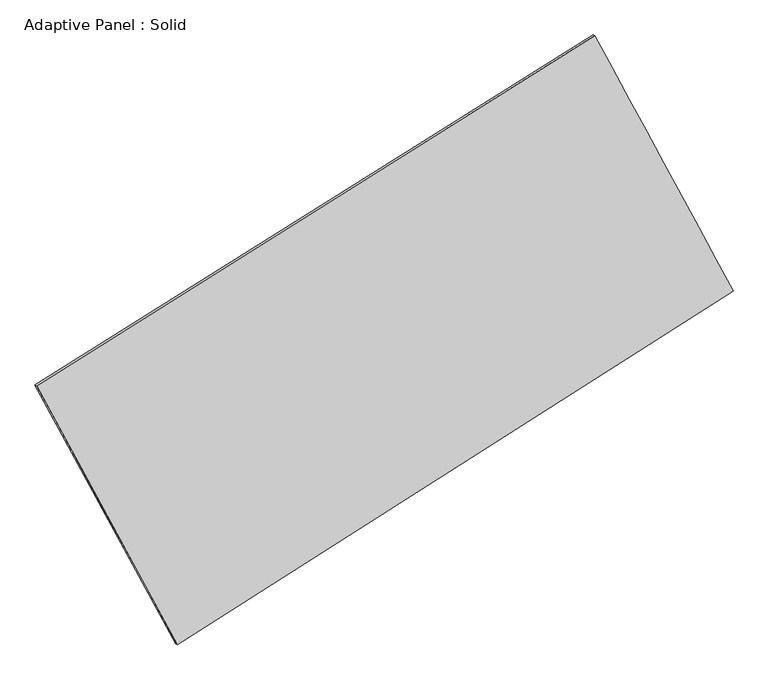
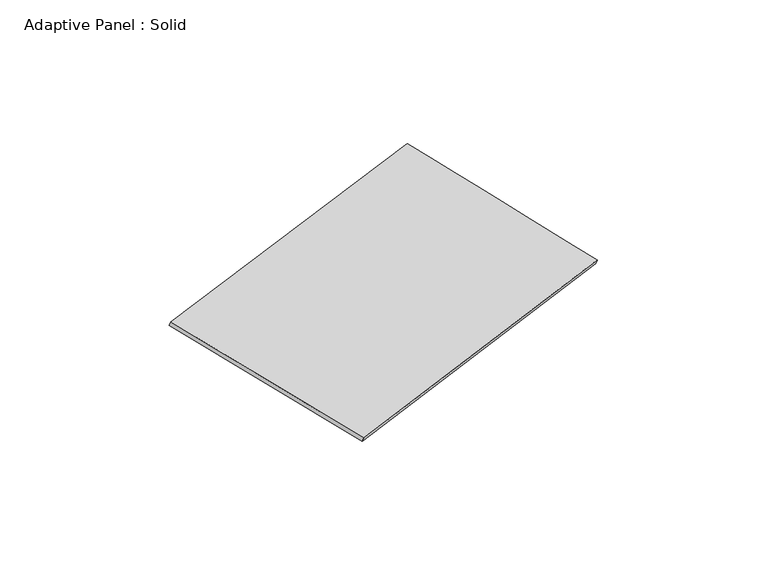
"""IFC4 building model written with IfcOpenShell, lengths in millimetres: plate geometry, Adaptive Panel : Solid."""

from ifc_helpers import new_model, si_unit, frame, origin, place, context, project, spatial, source, transform, mapped, element, save
from ifc_brep_helpers import plane_surface, spline_surface, advanced_brep


def adaptive_panel_solid_70dd9aee(model_context):
    return source(origin(), model_context, "Body", "AdvancedBrep", [
        advanced_brep(
        [(1185.8611617, 2565.2248259, 666.7287902), (-3710.8466497, -508.075883, 1758.6432409), (-3696.1802939, -514.4559765, 1806.0161489), (1200.5275175, 2558.8447324, 714.1016982), (-2476.8699109, -2781.6157378, 1080.5175061), (-2462.203555, -2787.9958313, 1127.8904141), (2398.5648208, 324.2182221, -20.7670169), (2413.2311766, 317.8381286, 26.6058911)],
        [
            (0, 1),
            (1, 2),
            (2, 3),
            (3, 0),
            (1, 4),
            (4, 5),
            (5, 2),
            (4, 6),
            (6, 7),
            (7, 5),
            (6, 0),
            (3, 7),
        ],
        [
            plane_surface(frame((-1262.492744, 1028.5744714, 1212.6860156), z_axis=(-0.4712351599993246, 0.8429926203365922, 0.25942410458254905), x_axis=(-0.8322824871480435, -0.5223620555335714, 0.1855902597805416))),
            plane_surface(frame((-3093.8582803, -1644.8458104, 1419.5803735), z_axis=(-0.8378574672451333, -0.5115714966995756, 0.19049794840398313), x_axis=(0.4614315556303058, -0.8501643498902587, -0.2535773997111531))),
            plane_surface(frame((-39.152545, -1228.6987579, 529.8752446), z_axis=(0.47617683332673894, -0.8398678964735453, -0.26053318382889595), x_axis=(0.8285028824875532, 0.5277872702485825, -0.1871458550793078))),
            plane_surface(frame((1792.2129912, 1444.721524, 322.9808866), z_axis=(0.8377520380364039, 0.5117660291170854, -0.190439108923516), x_axis=(-0.45949554653666597, 0.849121338484165, 0.26049336890568037))),
            spline_surface(1, 1, [[(-3696.1802939, -514.4559765, 1806.0161489), (1200.5275175, 2558.8447324, 714.1016982)], [(-2462.203555, -2787.9958313, 1127.8904141), (2413.2311766, 317.8381286, 26.6058911)]], [2, 2], [2, 2], [0.0, 1.0], [0.0, 1.0]),
            spline_surface(1, 1, [[(2398.5648208, 324.2182221, -20.7670169), (1185.8611617, 2565.2248259, 666.7287902)], [(-2476.8699109, -2781.6157378, 1080.5175061), (-3710.8466497, -508.075883, 1758.6432409)]], [2, 2], [2, 2], [0.0, 1.0], [0.0, 1.0]),
        ],
        [
            (0, [[1, 2, 3, 4]]),
            (1, [[5, 6, 7, -2]]),
            (2, [[8, 9, 10, -6]]),
            (3, [[11, -4, 12, -9]]),
            (4, [[-3, -7, -10, -12]]),
            (5, [[-11, -8, -5, -1]]),
        ],
    ),
    ])


if __name__ == "__main__":
    model = new_model("IFC4")
    model_context = context("Model", 3, world=origin())
    ifc_project = project(units=[si_unit("LENGTHUNIT", "METRE", prefix="MILLI")], contexts=[model_context])
    site = spatial("IfcSite", under=ifc_project)
    building = spatial("IfcBuilding", under=site)
    placement = place(None, origin())
    adaptive_panel_solid_shape = adaptive_panel_solid_70dd9aee(model_context)
    element("IfcPlate", 1, ObjectType="Adaptive Panel : Solid", at=placement, inside=building, context=model_context, shape_type="MappedRepresentation", body=[
        mapped(adaptive_panel_solid_shape, transform((0.0, 0.0, 0.0), x_axis=(1.0, 0.0, 0.0), y_axis=(0.0, 1.0, 0.0), z_axis=(0.0, 0.0, 1.0))),
    ])
    save(model, "model.ifc")
